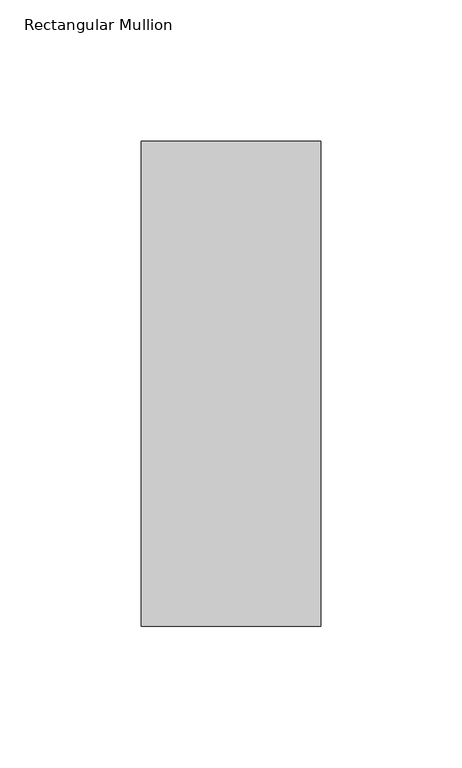
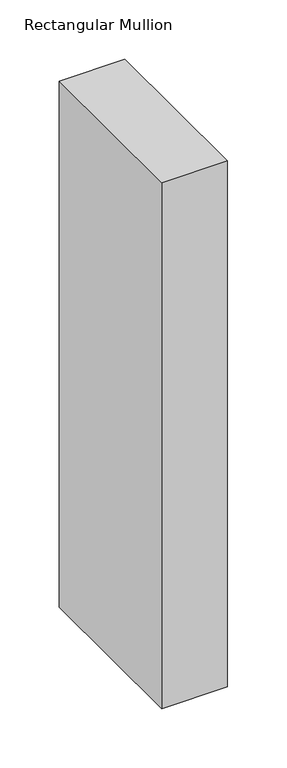
"""IFC4 building model written with IfcOpenShell, lengths in millimetres: member geometry, Rectangular Mullion."""

from ifc_helpers import new_model, si_unit, frame, origin, place, context, project, spatial, polyline, outline, extrude, source, transform, mapped, element, save


def rectangular_mullion_ab56fe37(model_context):
    return source(origin(), model_context, "Body", "SweptSolid", [
        extrude(outline(polyline([(-1e-07, 222.5381312), (-1e-07, 50.8091913), (-63.4999996, 50.8091913), (-63.4999996, 222.5381312), (-1e-07, 222.5381312)])), frame((0.0, 0.0, -539.5856699), z_axis=(0.0, 0.0, 1.0), x_axis=(1.0, 0.0, 0.0)), (0.0, 0.0, 1.0), 539.5856699),
    ])


if __name__ == "__main__":
    model = new_model("IFC4")
    model_context = context("Model", 3, world=origin())
    ifc_project = project(units=[si_unit("LENGTHUNIT", "METRE", prefix="MILLI")], contexts=[model_context])
    site = spatial("IfcSite", under=ifc_project)
    building = spatial("IfcBuilding", under=site)
    placement = place(None, origin())
    rectangular_mullion_shape = rectangular_mullion_ab56fe37(model_context)
    element("IfcMember", 1, ObjectType="Rectangular Mullion", at=placement, inside=building, context=model_context, shape_type="MappedRepresentation", body=[
        mapped(rectangular_mullion_shape, transform((0.0, 0.0, 0.0), x_axis=(1.0, 0.0, 0.0), y_axis=(0.0, 1.0, 0.0), z_axis=(0.0, 0.0, 1.0))),
    ])
    save(model, "model.ifc")
